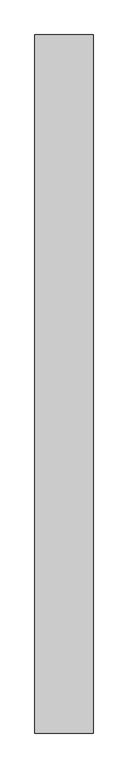
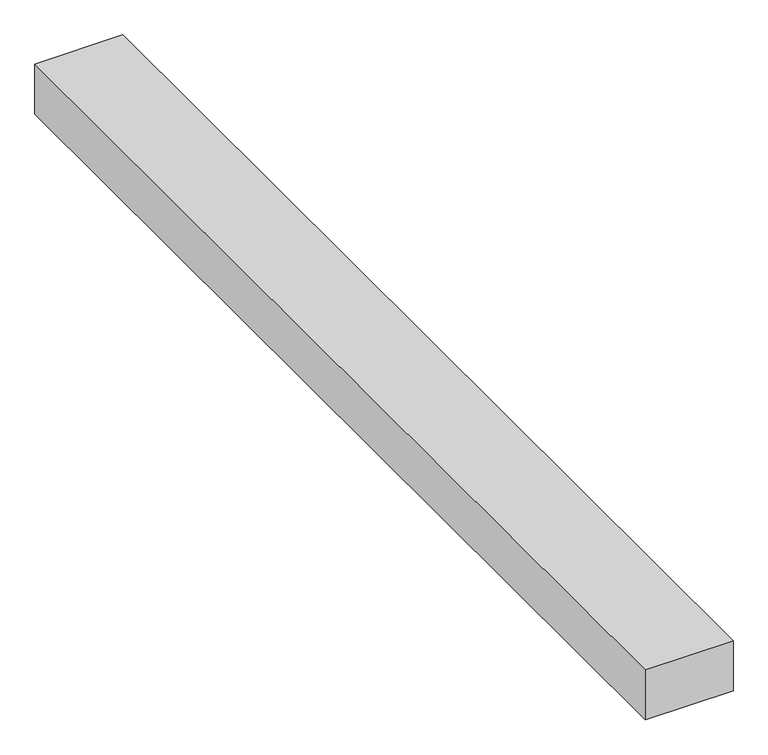
"""IFC4 building model written with IfcOpenShell, lengths in millimetres: proxy geometry."""

from ifc_helpers import new_model, si_unit, frame, origin, place, context, project, spatial, polyline, outline, extrude, source, transform, mapped, element, save


def generic_models_7f2db320(model_context):
    return source(origin(), model_context, "Body", "SweptSolid", [
        extrude(outline(polyline([(500.0, 6000.0), (500.0, 0.0), (0.0, 0.0), (0.0, 6000.0), (500.0, 6000.0)])), frame((0.0, 0.0, 3000.0), z_axis=(0.0, 0.0, 1.0), x_axis=(1.0, 0.0, 0.0)), (0.0, 0.0, 1.0), 300.0),
    ])


if __name__ == "__main__":
    model = new_model("IFC4")
    model_context = context("Model", 3, world=origin())
    ifc_project = project(units=[si_unit("LENGTHUNIT", "METRE", prefix="MILLI")], contexts=[model_context])
    site = spatial("IfcSite", under=ifc_project)
    building = spatial("IfcBuilding", under=site)
    placement = place(None, origin())
    generic_models_shape = generic_models_7f2db320(model_context)
    element("IfcBuildingElementProxy", 1, Name="Generic Models", at=placement, inside=building, context=model_context, shape_type="MappedRepresentation", body=[
        mapped(generic_models_shape, transform((0.0, 0.0, 0.0), x_axis=(1.0, 0.0, 0.0), y_axis=(0.0, 1.0, 0.0), z_axis=(0.0, 0.0, 1.0))),
    ])
    save(model, "model.ifc")
